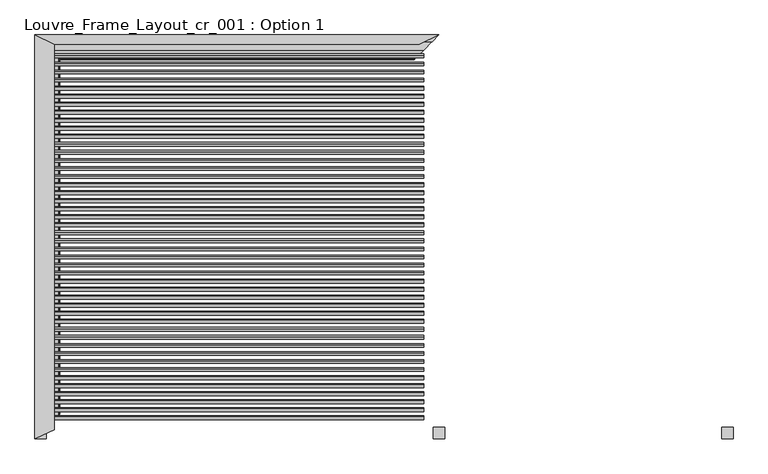
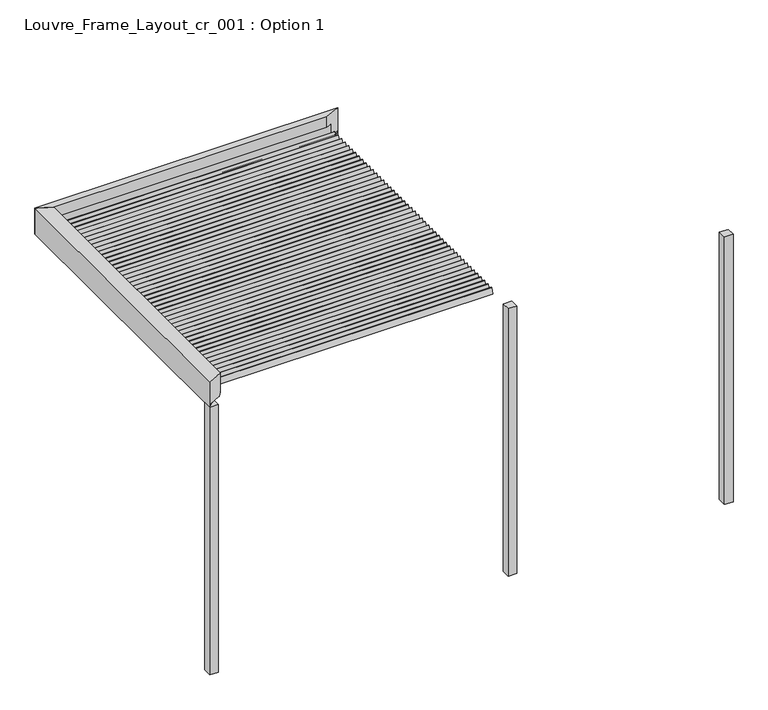
"""IFC4 building model written with IfcOpenShell, lengths in millimetres: proxy geometry, Louvre_Frame_Layout_cr_001 : Option 1."""

from ifc_helpers import new_model, si_unit, frame, origin, place, context, project, spatial, polyline, ellipse_curve, outline, extrude, source, transform, mapped, element, save
from ifc_brep_helpers import plane_surface, cylinder_surface, revolved_surface, advanced_brep


def louvre_frame_layout_cr_001_option_1_20cd7278(model_context):
    return source(origin(), model_context, "Body", "SolidModel", [
        extrude(outline(polyline([(50.0, -1760.0), (50.0, -1860.0), (-50.0, -1860.0), (-50.0, -1760.0), (50.0, -1760.0)])), frame((0.0, 0.0, -3270.0), z_axis=(0.0, 0.0, 1.0), x_axis=(1.0, 0.0, 0.0)), (0.0, 0.0, 1.0), 3270.0),
        extrude(outline(polyline([(2550.0, -1860.0), (2450.0, -1860.0), (2450.0, -1760.0), (2550.0, -1760.0), (2550.0, -1860.0)])), frame((0.0, 0.0, -3270.0), z_axis=(0.0, 0.0, 1.0), x_axis=(1.0, 0.0, 0.0)), (0.0, 0.0, 1.0), 3270.0),
        extrude(outline(polyline([(-3400.0, -1860.0), (-3500.0, -1860.0), (-3500.0, -1760.0), (-3400.0, -1760.0), (-3400.0, -1860.0)])), frame((0.0, 0.0, -3270.0), z_axis=(0.0, 0.0, 1.0), x_axis=(1.0, 0.0, 0.0)), (0.0, 0.0, 1.0), 3270.0),
        extrude(outline(polyline([(0.0, 10.0), (3236.0, 10.0), (3236.0, 0.0), (0.0, 0.0), (0.0, 10.0)])), frame((-3368.0, -1624.9802792, 110.4249753), z_axis=(0.0, 0.3420201433256684, 0.9396926207859085), x_axis=(1.0, 0.0, 0.0)), (0.0, 0.0, 1.0), 70.0),
        extrude(outline(polyline([(0.0, 10.0), (3236.0, 10.0), (3236.0, 0.0), (0.0, 0.0), (0.0, 10.0)])), frame((-3368.0, -1555.2913903, 110.4249753), z_axis=(0.0, 0.3420201433256684, 0.9396926207859085), x_axis=(1.0, 0.0, 0.0)), (0.0, 0.0, 1.0), 70.0),
        extrude(outline(polyline([(0.0, 10.0000001), (3236.0, 10.0000001), (3236.0, 0.0), (0.0, 0.0), (0.0, 10.0000001)])), frame((-3368.0, -1485.6025015, 110.4249753), z_axis=(0.0, 0.3420201433256684, 0.9396926207859085), x_axis=(1.0, 0.0, 0.0)), (0.0, 0.0, 1.0), 70.0),
        extrude(outline(polyline([(0.0, 10.0), (3236.0, 10.0), (3236.0, 0.0), (0.0, 0.0), (0.0, 10.0)])), frame((-3368.0, -1415.9136126, 110.4249753), z_axis=(0.0, 0.3420201433256684, 0.9396926207859085), x_axis=(1.0, 0.0, 0.0)), (0.0, 0.0, 1.0), 70.0),
        extrude(outline(polyline([(0.0, 10.0), (3236.0, 10.0), (3236.0, 0.0), (0.0, 0.0), (0.0, 10.0)])), frame((-3368.0, -1346.2247237, 110.4249753), z_axis=(0.0, 0.3420201433256684, 0.9396926207859085), x_axis=(1.0, 0.0, 0.0)), (0.0, 0.0, 1.0), 70.0),
        extrude(outline(polyline([(0.0, 10.0), (3236.0, 10.0), (3236.0, 0.0), (0.0, 0.0), (0.0, 10.0)])), frame((-3368.0, -1276.5358348, 110.4249753), z_axis=(0.0, 0.3420201433256684, 0.9396926207859085), x_axis=(1.0, 0.0, 0.0)), (0.0, 0.0, 1.0), 70.0),
        extrude(outline(polyline([(0.0, 10.0), (3236.0, 10.0), (3236.0, 0.0), (0.0, 0.0), (0.0, 10.0)])), frame((-3368.0, -1206.8469459, 110.4249753), z_axis=(0.0, 0.3420201433256684, 0.9396926207859085), x_axis=(1.0, 0.0, 0.0)), (0.0, 0.0, 1.0), 70.0),
        extrude(outline(polyline([(0.0, 10.0), (3236.0, 10.0), (3236.0, 0.0), (0.0, 0.0), (0.0, 10.0)])), frame((-3368.0, -1137.158057, 110.4249753), z_axis=(0.0, 0.3420201433256684, 0.9396926207859085), x_axis=(1.0, 0.0, 0.0)), (0.0, 0.0, 1.0), 70.0),
        extrude(outline(polyline([(0.0, 10.0), (3236.0, 10.0), (3236.0, 0.0), (0.0, 0.0), (0.0, 10.0)])), frame((-3368.0, -1067.4691681, 110.4249753), z_axis=(0.0, 0.3420201433256684, 0.9396926207859085), x_axis=(1.0, 0.0, 0.0)), (0.0, 0.0, 1.0), 70.0),
        extrude(outline(polyline([(0.0, 10.0), (3236.0, 10.0), (3236.0, 0.0), (0.0, 0.0), (0.0, 10.0)])), frame((-3368.0, -997.7802792, 110.4249753), z_axis=(0.0, 0.3420201433256684, 0.9396926207859085), x_axis=(1.0, 0.0, 0.0)), (0.0, 0.0, 1.0), 70.0),
        extrude(outline(polyline([(0.0, 10.0), (3236.0, 10.0), (3236.0, 0.0), (0.0, 0.0), (0.0, 10.0)])), frame((-3368.0, -928.0913903, 110.4249753), z_axis=(0.0, 0.3420201433256684, 0.9396926207859085), x_axis=(1.0, 0.0, 0.0)), (0.0, 0.0, 1.0), 70.0),
        extrude(outline(polyline([(0.0, 10.0000001), (3236.0, 10.0000001), (3236.0, 0.0), (0.0, 0.0), (0.0, 10.0000001)])), frame((-3368.0, -858.4025015, 110.4249753), z_axis=(0.0, 0.3420201433256684, 0.9396926207859085), x_axis=(1.0, 0.0, 0.0)), (0.0, 0.0, 1.0), 70.0),
        extrude(outline(polyline([(0.0, 10.0), (3236.0, 10.0), (3236.0, 0.0), (0.0, 0.0), (0.0, 10.0)])), frame((-3368.0, -788.7136126, 110.4249753), z_axis=(0.0, 0.3420201433256684, 0.9396926207859085), x_axis=(1.0, 0.0, 0.0)), (0.0, 0.0, 1.0), 70.0),
        extrude(outline(polyline([(0.0, 10.0), (3236.0, 10.0), (3236.0, 0.0), (0.0, 0.0), (0.0, 10.0)])), frame((-3368.0, -719.0247237, 110.4249753), z_axis=(0.0, 0.3420201433256684, 0.9396926207859085), x_axis=(1.0, 0.0, 0.0)), (0.0, 0.0, 1.0), 70.0),
        extrude(outline(polyline([(0.0, 10.0), (3236.0, 10.0), (3236.0, 0.0), (0.0, 0.0), (0.0, 10.0)])), frame((-3368.0, -649.3358348, 110.4249753), z_axis=(0.0, 0.3420201433256684, 0.9396926207859085), x_axis=(1.0, 0.0, 0.0)), (0.0, 0.0, 1.0), 70.0),
        extrude(outline(polyline([(0.0, 10.0), (3236.0, 10.0), (3236.0, 0.0), (0.0, 0.0), (0.0, 10.0)])), frame((-3368.0, -579.6469459, 110.4249753), z_axis=(0.0, 0.3420201433256684, 0.9396926207859085), x_axis=(1.0, 0.0, 0.0)), (0.0, 0.0, 1.0), 70.0),
        extrude(outline(polyline([(0.0, 10.0), (3236.0, 10.0), (3236.0, 0.0), (0.0, 0.0), (0.0, 10.0)])), frame((-3368.0, -509.958057, 110.4249753), z_axis=(0.0, 0.3420201433256684, 0.9396926207859085), x_axis=(1.0, 0.0, 0.0)), (0.0, 0.0, 1.0), 70.0),
        extrude(outline(polyline([(0.0, 10.0), (3236.0, 10.0), (3236.0, 0.0), (0.0, 0.0), (0.0, 10.0)])), frame((-3368.0, -440.2691681, 110.4249753), z_axis=(0.0, 0.3420201433256684, 0.9396926207859085), x_axis=(1.0, 0.0, 0.0)), (0.0, 0.0, 1.0), 70.0),
        extrude(outline(polyline([(0.0, 10.0), (3236.0, 10.0), (3236.0, 0.0), (0.0, 0.0), (0.0, 10.0)])), frame((-3368.0, -370.5802792, 110.4249753), z_axis=(0.0, 0.3420201433256684, 0.9396926207859085), x_axis=(1.0, 0.0, 0.0)), (0.0, 0.0, 1.0), 70.0),
        extrude(outline(polyline([(0.0, 10.0), (3236.0, 10.0), (3236.0, 0.0), (0.0, 0.0), (0.0, 10.0)])), frame((-3368.0, -300.8913903, 110.4249753), z_axis=(0.0, 0.3420201433256684, 0.9396926207859085), x_axis=(1.0, 0.0, 0.0)), (0.0, 0.0, 1.0), 70.0),
        extrude(outline(polyline([(0.0, 10.0000001), (3236.0, 10.0000001), (3236.0, 0.0), (0.0, 0.0), (0.0, 10.0000001)])), frame((-3368.0, -231.2025015, 110.4249753), z_axis=(0.0, 0.3420201433256684, 0.9396926207859085), x_axis=(1.0, 0.0, 0.0)), (0.0, 0.0, 1.0), 70.0),
        extrude(outline(polyline([(0.0, 10.0), (3236.0, 10.0), (3236.0, 0.0), (0.0, 0.0), (0.0, 10.0)])), frame((-3368.0, -161.5136126, 110.4249753), z_axis=(0.0, 0.3420201433256684, 0.9396926207859085), x_axis=(1.0, 0.0, 0.0)), (0.0, 0.0, 1.0), 70.0),
        extrude(outline(polyline([(0.0, 10.0), (3236.0, 10.0), (3236.0, 0.0), (0.0, 0.0), (0.0, 10.0)])), frame((-3368.0, -91.8247237, 110.4249753), z_axis=(0.0, 0.3420201433256684, 0.9396926207859085), x_axis=(1.0, 0.0, 0.0)), (0.0, 0.0, 1.0), 70.0),
        extrude(outline(polyline([(0.0, 10.0), (3236.0, 10.0), (3236.0, 0.0), (0.0, 0.0), (0.0, 10.0)])), frame((-3368.0, -22.1358348, 110.4249753), z_axis=(0.0, 0.3420201433256684, 0.9396926207859085), x_axis=(1.0, 0.0, 0.0)), (0.0, 0.0, 1.0), 70.0),
        extrude(outline(polyline([(0.0, 10.0), (3236.0, 10.0), (3236.0, 0.0), (0.0, 0.0), (0.0, 10.0)])), frame((-3368.0, 47.5530541, 110.4249753), z_axis=(0.0, 0.3420201433256684, 0.9396926207859085), x_axis=(1.0, 0.0, 0.0)), (0.0, 0.0, 1.0), 70.0),
        extrude(outline(polyline([(0.0, 10.0), (3236.0, 10.0), (3236.0, 0.0), (0.0, 0.0), (0.0, 10.0)])), frame((-3368.0, 117.241943, 110.4249753), z_axis=(0.0, 0.3420201433256684, 0.9396926207859085), x_axis=(1.0, 0.0, 0.0)), (0.0, 0.0, 1.0), 70.0),
        extrude(outline(polyline([(0.0, 10.0), (3236.0, 10.0), (3236.0, 0.0), (0.0, 0.0), (0.0, 10.0)])), frame((-3368.0, 186.9308319, 110.4249753), z_axis=(0.0, 0.3420201433256684, 0.9396926207859085), x_axis=(1.0, 0.0, 0.0)), (0.0, 0.0, 1.0), 70.0),
        extrude(outline(polyline([(0.0, 10.0), (3236.0, 10.0), (3236.0, 0.0), (0.0, 0.0), (0.0, 10.0)])), frame((-3368.0, 256.6197208, 110.4249753), z_axis=(0.0, 0.3420201433256684, 0.9396926207859085), x_axis=(1.0, 0.0, 0.0)), (0.0, 0.0, 1.0), 70.0),
        extrude(outline(polyline([(0.0, 10.0), (3236.0, 10.0), (3236.0, 0.0), (0.0, 0.0), (0.0, 10.0)])), frame((-3368.0, 326.3086097, 110.4249753), z_axis=(0.0, 0.3420201433256684, 0.9396926207859085), x_axis=(1.0, 0.0, 0.0)), (0.0, 0.0, 1.0), 70.0),
        extrude(outline(polyline([(0.0, 10.0000001), (3236.0, 10.0000001), (3236.0, 0.0), (0.0, 0.0), (0.0, 10.0000001)])), frame((-3368.0, 395.9974985, 110.4249753), z_axis=(0.0, 0.3420201433256684, 0.9396926207859085), x_axis=(1.0, 0.0, 0.0)), (0.0, 0.0, 1.0), 70.0),
        extrude(outline(polyline([(0.0, 10.0), (3236.0, 10.0), (3236.0, 0.0), (0.0, 0.0), (0.0, 10.0)])), frame((-3368.0, 465.6863874, 110.4249753), z_axis=(0.0, 0.3420201433256684, 0.9396926207859085), x_axis=(1.0, 0.0, 0.0)), (0.0, 0.0, 1.0), 70.0),
        extrude(outline(polyline([(0.0, 10.0), (3236.0, 10.0), (3236.0, 0.0), (0.0, 0.0), (0.0, 10.0)])), frame((-3368.0, 535.3752763, 110.4249753), z_axis=(0.0, 0.3420201433256684, 0.9396926207859085), x_axis=(1.0, 0.0, 0.0)), (0.0, 0.0, 1.0), 70.0),
        extrude(outline(polyline([(0.0, 10.0), (3236.0, 10.0), (3236.0, 0.0), (0.0, 0.0), (0.0, 10.0)])), frame((-3368.0, 605.0641652, 110.4249753), z_axis=(0.0, 0.3420201433256684, 0.9396926207859085), x_axis=(1.0, 0.0, 0.0)), (0.0, 0.0, 1.0), 70.0),
        extrude(outline(polyline([(0.0, 10.0), (3236.0, 10.0), (3236.0, 0.0), (0.0, 0.0), (0.0, 10.0)])), frame((-3368.0, 674.7530541, 110.4249753), z_axis=(0.0, 0.3420201433256684, 0.9396926207859085), x_axis=(1.0, 0.0, 0.0)), (0.0, 0.0, 1.0), 70.0),
        extrude(outline(polyline([(0.0, 10.0), (3236.0, 10.0), (3236.0, 0.0), (0.0, 0.0), (0.0, 10.0)])), frame((-3368.0, 744.441943, 110.4249753), z_axis=(0.0, 0.3420201433256684, 0.9396926207859085), x_axis=(1.0, 0.0, 0.0)), (0.0, 0.0, 1.0), 70.0),
        extrude(outline(polyline([(0.0, 10.0), (3236.0, 10.0), (3236.0, 0.0), (0.0, 0.0), (0.0, 10.0)])), frame((-3368.0, 814.1308319, 110.4249753), z_axis=(0.0, 0.3420201433256684, 0.9396926207859085), x_axis=(1.0, 0.0, 0.0)), (0.0, 0.0, 1.0), 70.0),
        extrude(outline(polyline([(0.0, 10.0), (3236.0, 10.0), (3236.0, 0.0), (0.0, 0.0), (0.0, 10.0)])), frame((-3368.0, 883.8197208, 110.4249753), z_axis=(0.0, 0.3420201433256684, 0.9396926207859085), x_axis=(1.0, 0.0, 0.0)), (0.0, 0.0, 1.0), 70.0),
        extrude(outline(polyline([(0.0, 10.0), (3236.0, 10.0), (3236.0, 0.0), (0.0, 0.0), (0.0, 10.0)])), frame((-3368.0, 953.5086097, 110.4249753), z_axis=(0.0, 0.3420201433256684, 0.9396926207859085), x_axis=(1.0, 0.0, 0.0)), (0.0, 0.0, 1.0), 70.0),
        extrude(outline(polyline([(0.0, 10.0000001), (3236.0, 10.0000001), (3236.0, 0.0), (0.0, 0.0), (0.0, 10.0000001)])), frame((-3368.0, 1023.1974985, 110.4249753), z_axis=(0.0, 0.3420201433256684, 0.9396926207859085), x_axis=(1.0, 0.0, 0.0)), (0.0, 0.0, 1.0), 70.0),
        extrude(outline(polyline([(0.0, 10.0), (3236.0, 10.0), (3236.0, 0.0), (0.0, 0.0), (0.0, 10.0)])), frame((-3368.0, 1092.8863874, 110.4249753), z_axis=(0.0, 0.3420201433256684, 0.9396926207859085), x_axis=(1.0, 0.0, 0.0)), (0.0, 0.0, 1.0), 70.0),
        extrude(outline(polyline([(0.0, 10.0), (3236.0, 10.0), (3236.0, 0.0), (0.0, 0.0), (0.0, 10.0)])), frame((-3368.0, 1162.5752763, 110.4249753), z_axis=(0.0, 0.3420201433256684, 0.9396926207859085), x_axis=(1.0, 0.0, 0.0)), (0.0, 0.0, 1.0), 70.0),
        extrude(outline(polyline([(0.0, 10.0), (3236.0, 10.0), (3236.0, 0.0), (0.0, 0.0), (0.0, 10.0)])), frame((-3368.0, 1232.2641652, 110.4249753), z_axis=(0.0, 0.3420201433256684, 0.9396926207859085), x_axis=(1.0, 0.0, 0.0)), (0.0, 0.0, 1.0), 70.0),
        extrude(outline(polyline([(0.0, 10.0), (3236.0, 10.0), (3236.0, 0.0), (0.0, 0.0), (0.0, 10.0)])), frame((-3368.0, 1301.9530541, 110.4249753), z_axis=(0.0, 0.3420201433256684, 0.9396926207859085), x_axis=(1.0, 0.0, 0.0)), (0.0, 0.0, 1.0), 70.0),
        extrude(outline(polyline([(0.0, 10.0), (3236.0, 10.0), (3236.0, 0.0), (0.0, 0.0), (0.0, 10.0)])), frame((-3368.0, 1371.641943, 110.4249753), z_axis=(0.0, 0.3420201433256684, 0.9396926207859085), x_axis=(1.0, 0.0, 0.0)), (0.0, 0.0, 1.0), 70.0),
        extrude(outline(polyline([(0.0, 10.0), (3236.0, 10.0), (3236.0, 0.0), (0.0, 0.0), (0.0, 10.0)])), frame((-3368.0, -1694.6691681, 110.4249753), z_axis=(0.0, 0.3420201433256684, 0.9396926207859085), x_axis=(1.0, 0.0, 0.0)), (0.0, 0.0, 1.0), 70.0),
        extrude(outline(polyline([(0.0, 10.0), (3236.0, 10.0), (3236.0, 0.0), (0.0, 0.0), (0.0, 10.0)])), frame((-3368.0, 1441.3308319, 110.4249753), z_axis=(0.0, 0.3420201433256684, 0.9396926207859085), x_axis=(1.0, 0.0, 0.0)), (0.0, 0.0, 1.0), 70.0),
        advanced_brep(
        [(-3349.8942843, 1489.8942843, 0.0), (-3284.8218695, 1424.8218695, 26.1870213), (-3284.8218695, 1424.8218695, 39.3616238), (-3285.4888339, 1425.4888339, 40.0285881), (-3291.0621612, 1431.0621612, 40.0285881), (-3291.7291256, 1431.7291256, 39.3616238), (-3291.7291256, 1431.7291256, 25.5580129), (-3336.794989, 1476.794989, 7.4266447), (-3364.8199959, 1504.8199959, 2.0018958), (-3443.0005687, 1583.0005687, 2.0018958), (-3448.0054103, 1588.0054103, 7.0067374), (-3448.0054103, 1588.0054103, 36.2093165), (-3447.4216619, 1587.4216619, 36.793065), (-3444.7025891, 1584.7025891, 36.793065), (-3442.6996709, 1582.6996709, 38.7959832), (-3500.0, 1640.0, 38.8575344), (-3500.0, 1640.0, 0.0), (0.0, 1640.0, 0.0), (0.0, 1640.0, 38.8575344), (-57.2993831, 1582.7006169, 38.8575344), (-55.2974109, 1584.7025891, 36.793065), (-52.5783381, 1587.4216619, 36.793065), (-51.9945897, 1588.0054103, 36.2093165), (-51.9945897, 1588.0054103, 7.0067374), (-56.9994313, 1583.0005687, 2.0018958), (-135.1800041, 1504.8199959, 2.0018958), (-163.205011, 1476.794989, 7.4266447), (-208.2708744, 1431.7291256, 25.5580129), (-208.2708744, 1431.7291256, 39.3616238), (-208.9378388, 1431.0621612, 40.0285881), (-214.5111661, 1425.4888339, 40.0285881), (-215.1781305, 1424.8218695, 39.3616238), (-215.1781305, 1424.8218695, 26.1870213), (-150.1057157, 1489.8942843, 0.0), (-3378.3701643, 1582.7006169, 38.8575344), (-3378.3701643, 1582.6996709, 64.3212787), (-3382.6221378, 1584.7027935, 66.3244014), (-3388.3114217, 1587.3830392, 66.3244014), (-3389.6325118, 1588.0054103, 66.9467725), (-3389.6325118, 1588.0054103, 186.7535382), (-3330.2950263, 1560.0512704, 186.7535382), (-3330.2950263, 1560.0512704, 316.6276048), (-3500.0, 1640.0, 316.6276048), (-3500.0, 1640.0, 40.0285881), (-169.7049737, 1560.0512704, 316.6276048), (0.0, 1640.0, 316.6276048), (0.0, 1640.0, 40.0285881), (-121.6298357, 1582.7006169, 38.8575344), (-121.6298357, 1582.6996709, 64.3212787), (-117.3778622, 1584.7027935, 66.3244014), (-111.6885783, 1587.3830392, 66.3244014), (-110.3674882, 1588.0054103, 66.9467725), (-110.3674882, 1588.0054103, 186.7535382), (-169.7049737, 1560.0512704, 186.7535382)],
        [
            (0, 1),
            (1, 2),
            (2, 3, ellipse_curve(frame((-3285.4888339, 1425.4888339, 39.3616238), z_axis=(-0.7071067811865666, -0.7071067811865285, 0.0), x_axis=(0.7071067811865286, -0.7071067811865666, 0.0)), 0.94323, 0.6669644)),
            (3, 4),
            (4, 5, ellipse_curve(frame((-3291.0621612, 1431.0621612, 39.3616238), z_axis=(-0.7071067811865666, -0.7071067811865285, 0.0), x_axis=(0.7071067811865286, -0.7071067811865666, 0.0)), 0.94323, 0.6669644)),
            (5, 6),
            (6, 7),
            (7, 8, ellipse_curve(frame((-3364.8119854, 1504.8119854, 77.0634267), z_axis=(0.7071067811865666, 0.7071067811865285, 0.0), x_axis=(-0.7071067811865286, 0.7071067811865666, 0.0)), 106.1530357, 75.0615314)),
            (8, 9),
            (9, 10, ellipse_curve(frame((-3443.0005687, 1583.0005687, 7.0067374), z_axis=(0.7071067811865666, 0.7071067811865285, 0.0), x_axis=(-0.7071067811865286, 0.7071067811865666, 0.0)), 7.0779149, 5.0048416)),
            (10, 11),
            (11, 12, ellipse_curve(frame((-3447.4216619, 1587.4216619, 36.2093165), z_axis=(0.7071067811865666, 0.7071067811865285, 0.0), x_axis=(-0.7071067811865286, 0.7071067811865666, 0.0)), 0.825545, 0.5837485)),
            (12, 13),
            (13, 14, ellipse_curve(frame((-3444.7025891, 1584.7025891, 38.7959832), z_axis=(-0.7071067811865666, -0.7071067811865285, 0.0), x_axis=(0.7071067811865286, -0.7071067811865666, 0.0)), 2.832554, 2.0029182)),
            (14, 15),
            (15, 16),
            (16, 0),
            (17, 18),
            (18, 19),
            (19, 20, ellipse_curve(frame((-55.2974109, 1584.7025891, 38.7959832), z_axis=(0.7071067811865351, -0.7071067811865599, 0.0), x_axis=(0.7071067811865599, 0.7071067811865351, 0.0)), 2.832554, 2.0029182)),
            (20, 21),
            (21, 22, ellipse_curve(frame((-52.5783381, 1587.4216619, 36.2093165), z_axis=(-0.7071067811865351, 0.7071067811865599, 0.0), x_axis=(-0.7071067811865599, -0.7071067811865351, 0.0)), 0.825545, 0.5837485)),
            (22, 23),
            (23, 24, ellipse_curve(frame((-56.9994313, 1583.0005687, 7.0067374), z_axis=(-0.7071067811865351, 0.7071067811865599, 0.0), x_axis=(-0.7071067811865599, -0.7071067811865351, 0.0)), 7.0779149, 5.0048416)),
            (24, 25),
            (25, 26, ellipse_curve(frame((-135.1880146, 1504.8119854, 77.0634267), z_axis=(-0.7071067811865351, 0.7071067811865599, 0.0), x_axis=(-0.7071067811865599, -0.7071067811865351, 0.0)), 106.1530357, 75.0615314)),
            (26, 27),
            (27, 28),
            (28, 29, ellipse_curve(frame((-208.9378388, 1431.0621612, 39.3616238), z_axis=(0.7071067811865351, -0.7071067811865599, 0.0), x_axis=(0.7071067811865599, 0.7071067811865351, 0.0)), 0.94323, 0.6669644)),
            (29, 30),
            (30, 31, ellipse_curve(frame((-214.5111661, 1425.4888339, 39.3616238), z_axis=(0.7071067811865351, -0.7071067811865599, 0.0), x_axis=(0.7071067811865599, 0.7071067811865351, 0.0)), 0.94323, 0.6669644)),
            (31, 32),
            (32, 33),
            (33, 17),
            (14, 34),
            (34, 15),
            (34, 35),
            (35, 36, ellipse_curve(frame((-3382.6221378, 1584.7027935, 64.3212787), z_axis=(-0.426179151091085, -0.9046387849165446, 0.0), x_axis=(0.9046387849165445, -0.426179151091085, 0.0)), 4.7001892, 2.0031227)),
            (36, 37),
            (37, 38, ellipse_curve(frame((-3388.3114217, 1587.3830392, 66.9467725), z_axis=(0.426179151091085, 0.9046387849165446, 0.0), x_axis=(-0.9046387849165445, 0.426179151091085, 0.0)), 1.460351, 0.6223711)),
            (38, 39),
            (39, 40),
            (40, 41),
            (41, 42),
            (42, 43),
            (43, 15),
            (41, 44),
            (44, 45),
            (45, 42),
            (45, 46),
            (46, 18),
            (17, 16),
            (33, 0),
            (32, 1),
            (31, 2),
            (30, 3),
            (29, 4),
            (28, 5),
            (27, 6),
            (26, 7),
            (25, 8),
            (24, 9),
            (23, 10),
            (22, 11),
            (21, 12),
            (20, 13),
            (19, 47),
            (47, 34),
            (47, 48),
            (48, 35),
            (48, 49, ellipse_curve(frame((-117.3778622, 1584.7027935, 64.3212787), z_axis=(-0.4261791510912805, 0.9046387849164524, 0.0), x_axis=(0.9046387849164526, 0.4261791510912806, 0.0)), 4.7001892, 2.0031227)),
            (49, 36),
            (49, 50),
            (50, 37),
            (50, 51, ellipse_curve(frame((-111.6885783, 1587.3830392, 66.9467725), z_axis=(0.4261791510912805, -0.9046387849164524, 0.0), x_axis=(-0.9046387849164526, -0.4261791510912806, 0.0)), 1.460351, 0.6223711)),
            (51, 38),
            (51, 52),
            (52, 39),
            (52, 53),
            (53, 40),
            (53, 44),
            (18, 47),
        ],
        [
            plane_surface(frame((-3500.0, 1640.0, 40.0285881), z_axis=(-0.7071067811865666, -0.7071067811865285, 0.0), x_axis=(0.0, 0.0, -1.0))),
            plane_surface(frame((-258.0939751, 1381.9060249, 40.0285881), z_axis=(0.7071067811865351, -0.7071067811865599, 0.0), x_axis=(0.0, 0.0, -1.0))),
            plane_surface(frame((-3500.0, 1560.0512704, 38.8575344), z_axis=(0.0, 0.0, 1.0), x_axis=(1.0, 0.0, 0.0))),
            plane_surface(frame((-3500.0, 1640.0, 398.4370867), z_axis=(-0.426179151091085, -0.9046387849165446, 0.0), x_axis=(0.0, 0.0, -1.0))),
            plane_surface(frame((0.0, 1560.0512704, 316.6276048), z_axis=(0.0, 0.0, 1.0), x_axis=(-1.0, 0.0, 0.0))),
            plane_surface(frame((0.0, 1640.0, 316.6276048), z_axis=(0.0, 1.0, 0.0), x_axis=(-1.0, 0.0, 0.0))),
            plane_surface(frame((0.0, 1640.0, 0.0), z_axis=(0.0, 0.0, -1.0), x_axis=(-1.0, 0.0, 0.0))),
            plane_surface(frame((0.0, 1489.8942843, 0.0), z_axis=(0.0, -0.3733323631651337, -0.927697659053604), x_axis=(-1.0, 0.0, 0.0))),
            plane_surface(frame((0.0, 1424.8218695, 26.1870213), z_axis=(0.0, -1.0, 0.0), x_axis=(-1.0, 0.0, 0.0))),
            cylinder_surface(frame((0.0, 1425.4888339, 39.3616238), z_axis=(1.0, 0.0, 0.0), x_axis=(0.0, 1.0, 0.0)), 0.6669644),
            plane_surface(frame((0.0, 1425.4888339, 40.0285881), z_axis=(0.0, 0.0, 1.0), x_axis=(-1.0, 0.0, 0.0))),
            cylinder_surface(frame((0.0, 1431.0621612, 39.3616238), z_axis=(1.0, 0.0, 0.0), x_axis=(0.0, -1.0, 0.0)), 0.6669644),
            plane_surface(frame((0.0, 1431.7291256, 39.3616238), z_axis=(0.0, 1.0, 0.0), x_axis=(-1.0, 0.0, 0.0))),
            plane_surface(frame((0.0, 1431.7291256, 25.5580129), z_axis=(0.0, 0.37325372835204085, 0.9277293001039155), x_axis=(-1.0, 0.0, 0.0))),
            revolved_surface(polyline([(-3439.873516787006, 1429.750454, 77.0634267), (-60.12648321299102, 1429.750454, 77.0634267)]), (0.0, 1504.8119854, 77.0634267), (-1.0, 0.0, 0.0)),
            plane_surface(frame((0.0, 1504.8199959, 2.0018958), z_axis=(0.0, 0.0, 1.0), x_axis=(-1.0, 0.0, 0.0))),
            revolved_surface(polyline([(-3448.005410322451, 1577.9957271, 7.0067374), (-51.9945896775486, 1577.9957271, 7.0067374)]), (0.0, 1583.0005687, 7.0067374), (-1.0, 0.0, 0.0)),
            plane_surface(frame((0.0, 1588.0054103, 7.0067374), z_axis=(0.0, -1.0, 0.0), x_axis=(-1.0, 0.0, 0.0))),
            revolved_surface(polyline([(-3448.0054103676744, 1586.8379134, 36.2093165), (-51.994589632325344, 1586.8379134, 36.2093165)]), (0.0, 1587.4216619, 36.2093165), (-1.0, 0.0, 0.0)),
            plane_surface(frame((0.0, 1587.4216619, 36.793065), z_axis=(0.0, 0.0, -1.0), x_axis=(-1.0, 0.0, 0.0))),
            cylinder_surface(frame((0.0, 1584.7025891, 38.7959832), z_axis=(1.0, 0.0, 0.0), x_axis=(0.0, -1.0, 0.0)), 2.0029182),
            plane_surface(frame((0.0, 1582.6996709, 38.7959832), z_axis=(0.0, -1.0, 0.0), x_axis=(-1.0, 0.0, 0.0))),
            cylinder_surface(frame((0.0, 1584.7027935, 64.3212787), z_axis=(1.0, 0.0, 0.0), x_axis=(0.0, -1.0, 0.0)), 2.0031227),
            plane_surface(frame((0.0, 1584.7027935, 66.3244014), z_axis=(0.0, 0.0, 1.0), x_axis=(-1.0, 0.0, 0.0))),
            revolved_surface(polyline([(-3389.6325118541918, 1586.7606681, 66.9467725), (-110.36748814580848, 1586.7606681, 66.9467725)]), (0.0, 1587.3830392, 66.9467725), (-1.0, 0.0, 0.0)),
            plane_surface(frame((0.0, 1588.0054103, 66.9467725), z_axis=(0.0, -1.0, 0.0), x_axis=(-1.0, 0.0, 0.0))),
            plane_surface(frame((0.0, 1588.0054103, 186.7535382), z_axis=(0.0, 0.0, -1.0), x_axis=(-1.0, 0.0, 0.0))),
            plane_surface(frame((0.0, 1560.0512704, 186.7535382), z_axis=(0.0, -1.0, 0.0), x_axis=(-1.0, 0.0, 0.0))),
            plane_surface(frame((0.0, 1640.0, 38.8575344), z_axis=(0.0, 0.0, 1.0), x_axis=(-0.9046387849164524, -0.4261791510912805, 0.0))),
            plane_surface(frame((-169.7049737, 1560.0512704, 398.4370867), z_axis=(0.4261791510912805, -0.9046387849164524, 0.0), x_axis=(0.0, 0.0, -1.0))),
        ],
        [
            (0, [[1, 2, 3, 4, 5, 6, 7, 8, 9, 10, 11, 12, 13, 14, 15, 16, 17]]),
            (1, [[18, 19, 20, 21, 22, 23, 24, 25, 26, 27, 28, 29, 30, 31, 32, 33, 34]]),
            (2, [[-15, 35, 36]]),
            (3, [[37, 38, 39, 40, 41, 42, 43, 44, 45, 46, -36]]),
            (4, [[-44, 47, 48, 49]]),
            (5, [[50, 51, -18, 52, -16, -46, -45, -49]]),
            (6, [[-34, 53, -17, -52]]),
            (7, [[-53, -33, 54, -1]]),
            (8, [[-54, -32, 55, -2]]),
            (9, [[-55, -31, 56, -3]]),
            (10, [[-56, -30, 57, -4]]),
            (11, [[-57, -29, 58, -5]]),
            (12, [[-58, -28, 59, -6]]),
            (13, [[-59, -27, 60, -7]]),
            (14, [[-60, -26, 61, -8]]),
            (15, [[-61, -25, 62, -9]]),
            (16, [[-62, -24, 63, -10]]),
            (17, [[-63, -23, 64, -11]]),
            (18, [[-64, -22, 65, -12]]),
            (19, [[-65, -21, 66, -13]]),
            (20, [[-66, -20, 67, 68, -35, -14]]),
            (21, [[-68, 69, 70, -37]]),
            (22, [[-70, 71, 72, -38]]),
            (23, [[-72, 73, 74, -39]]),
            (24, [[-74, 75, 76, -40]]),
            (25, [[-76, 77, 78, -41]]),
            (26, [[-78, 79, 80, -42]]),
            (27, [[-80, 81, -47, -43]]),
            (28, [[-67, -19, 82]]),
            (29, [[-51, -50, -48, -81, -79, -77, -75, -73, -71, -69, -82]]),
        ],
    ),
        advanced_brep(
        [(-3500.0, -1860.0, 40.0285881), (-3500.0, -1860.0, 36.793065), (-3500.0, -1860.0, 0.0), (-3349.8942843, -1709.9379038, 0.0), (-3285.3886853, -1645.4510496, 25.9589183), (-3284.8218695, -1644.8843985, 26.5150991), (-3284.8218695, -1644.8843985, 39.3616238), (-3285.4888339, -1645.5511691, 40.0285881), (-3291.0621612, -1651.1228768, 40.0285881), (-3291.7291256, -1651.7896474, 39.3616238), (-3291.7291256, -1651.7896474, 25.5580129), (-3336.794989, -1696.842415, 7.4266447), (-3364.8199959, -1724.8592781, 2.0018958), (-3443.0005687, -1803.0171323, 2.0018958), (-3448.0054103, -1808.0205195, 7.0067374), (-3448.0054103, -1808.0205195, 30.0771301), (-3437.2798539, -1797.2980799, 30.0771301), (-3437.2798539, -1797.2980799, 37.2197882), (-3435.6421077, -1795.6608096, 38.8575344), (-3357.499356, -1717.5407655, 38.8575344), (-3354.7049082, -1714.7471297, 40.0285881), (-3354.7049082, 1494.7471297, 40.0285881), (-3357.499356, 1497.5407655, 38.8575344), (-3435.6421077, 1575.6608096, 38.8575344), (-3437.2798539, 1577.2980799, 37.2197882), (-3437.2798539, 1577.2980799, 30.0771301), (-3448.0054103, 1588.0205195, 30.0771301), (-3448.0054103, 1588.0205195, 7.0067374), (-3443.0005687, 1583.0171323, 2.0018958), (-3364.8199959, 1504.8592781, 2.0018958), (-3336.794989, 1476.842415, 7.4266447), (-3291.7291256, 1431.7896474, 25.5580129), (-3291.7291256, 1431.7896474, 39.3616238), (-3291.0621612, 1431.1228768, 40.0285881), (-3285.4888339, 1425.5511691, 40.0285881), (-3284.8218695, 1424.8843985, 39.3616238), (-3284.8218695, 1424.8843985, 26.5150991), (-3285.3886853, 1425.4510496, 25.9589183), (-3349.8942843, 1489.9379038, 0.0), (-3500.0, 1640.0, 0.0), (-3500.0, 1640.0, 36.793065), (-3500.0, 1640.0, 40.0285881), (-3330.2950263, 1560.0512704, 186.2985422), (-3336.7193678, 1563.0778048, 186.2985422), (-3336.7193678, 1563.0778048, 88.3970766), (-3330.3018549, 1560.0544873, 88.3970766), (-3330.3018549, 1560.0544873, 79.2796958), (-3352.0673551, 1570.3083064, 42.7736155), (-3354.7049082, 1571.5508688, 40.0285881), (-3500.0, 1640.0, 315.1230176), (-3330.2950263, 1560.0512704, 315.1230176), (-3354.7049082, -1791.5508688, 40.0285881), (-3330.2950263, -1780.0512704, 315.1230176), (-3330.2950263, -1780.0512704, 186.2985422), (-3336.7193678, -1783.0778048, 186.2985422), (-3336.7193678, -1783.0778048, 88.3970766), (-3330.3018549, -1780.0544873, 88.3970766), (-3330.3018549, -1780.0544873, 79.2796958), (-3352.0673551, -1790.3083064, 42.7736155), (-3500.0, -1860.0, 315.1230176)],
        [
            (0, 1),
            (1, 2),
            (2, 3),
            (3, 4),
            (4, 5, ellipse_curve(frame((-3285.7754513, -1645.8377032, 26.9199973), z_axis=(0.7070040190667776, -0.7072095283743168, 0.0), x_axis=(-0.7072095283743168, -0.7070040190667775, 0.0)), 1.4648884, 1.035983)),
            (5, 6),
            (6, 7, ellipse_curve(frame((-3285.4888339, -1645.5511691, 39.3616238), z_axis=(0.7070040190667776, -0.7072095283743168, 0.0), x_axis=(-0.7072095283743168, -0.7070040190667775, 0.0)), 0.943093, 0.6669644)),
            (7, 8),
            (8, 9, ellipse_curve(frame((-3291.0621612, -1651.1228768, 39.3616238), z_axis=(0.7070040190667776, -0.7072095283743168, 0.0), x_axis=(-0.7072095283743168, -0.7070040190667775, 0.0)), 0.943093, 0.6669644)),
            (9, 10),
            (10, 11),
            (11, 12, ellipse_curve(frame((-3364.8119854, -1724.85127, 77.0634267), z_axis=(-0.7070040190667776, 0.7072095283743168, 0.0), x_axis=(0.7072095283743168, 0.7070040190667775, 0.0)), 106.1376132, 75.0615314)),
            (12, 13),
            (13, 14, ellipse_curve(frame((-3443.0005687, -1803.0171323, 7.0067374), z_axis=(-0.7070040190667776, 0.7072095283743168, 0.0), x_axis=(0.7072095283743168, 0.7070040190667775, 0.0)), 7.0768866, 5.0048416)),
            (14, 15),
            (15, 16),
            (16, 17),
            (17, 18, ellipse_curve(frame((-3435.6421077, -1795.6608096, 37.2197882), z_axis=(-0.7070040190667776, 0.7072095283743168, 0.0), x_axis=(0.7072095283743168, 0.7070040190667775, 0.0)), 2.3157864, 1.6377462)),
            (18, 19),
            (19, 20, ellipse_curve(frame((-3359.3065931, -1719.3474774, 47.0897633), z_axis=(0.7070040190667776, -0.7072095283743168, 0.0), x_axis=(-0.7072095283743168, -0.7070040190667775, 0.0)), 11.917639, 8.4282679)),
            (20, 0),
            (21, 22, ellipse_curve(frame((-3359.3065931, 1499.3474775, 47.0897633), z_axis=(0.707004019064737, 0.707209528376357, 0.0), x_axis=(0.707209528376357, -0.7070040190647368, 0.0)), 11.917639, 8.4282679)),
            (22, 23),
            (23, 24, ellipse_curve(frame((-3435.6421077, 1575.6608096, 37.2197882), z_axis=(-0.707004019064737, -0.707209528376357, 0.0), x_axis=(-0.707209528376357, 0.7070040190647368, 0.0)), 2.3157864, 1.6377462)),
            (24, 25),
            (25, 26),
            (26, 27),
            (27, 28, ellipse_curve(frame((-3443.0005687, 1583.0171323, 7.0067374), z_axis=(-0.707004019064737, -0.707209528376357, 0.0), x_axis=(-0.707209528376357, 0.7070040190647368, 0.0)), 7.0768866, 5.0048416)),
            (28, 29),
            (29, 30, ellipse_curve(frame((-3364.8119854, 1504.85127, 77.0634267), z_axis=(-0.707004019064737, -0.707209528376357, 0.0), x_axis=(-0.707209528376357, 0.7070040190647368, 0.0)), 106.1376132, 75.0615314)),
            (30, 31),
            (31, 32),
            (32, 33, ellipse_curve(frame((-3291.0621612, 1431.1228768, 39.3616238), z_axis=(0.707004019064737, 0.707209528376357, 0.0), x_axis=(0.707209528376357, -0.7070040190647368, 0.0)), 0.943093, 0.6669644)),
            (33, 34),
            (34, 35, ellipse_curve(frame((-3285.4888339, 1425.5511691, 39.3616238), z_axis=(0.707004019064737, 0.707209528376357, 0.0), x_axis=(0.707209528376357, -0.7070040190647368, 0.0)), 0.943093, 0.6669644)),
            (35, 36),
            (36, 37, ellipse_curve(frame((-3285.7754513, 1425.8377032, 26.9199973), z_axis=(0.707004019064737, 0.707209528376357, 0.0), x_axis=(0.707209528376357, -0.7070040190647368, 0.0)), 1.4648884, 1.035983)),
            (37, 38),
            (38, 39),
            (39, 40),
            (40, 41),
            (41, 21),
            (42, 43),
            (43, 44),
            (44, 45),
            (45, 46),
            (46, 47),
            (47, 48, ellipse_curve(frame((-3359.3065931, 1573.718742, 47.0897633), z_axis=(0.42617915109108384, 0.9046387849165451, 0.0), x_axis=(0.9046387849165451, -0.42617915109108356, 0.0)), 9.3167218, 8.4282679)),
            (48, 41),
            (41, 49),
            (49, 50),
            (50, 42),
            (20, 51),
            (51, 0),
            (48, 21),
            (50, 52),
            (52, 53),
            (53, 42),
            (53, 54),
            (54, 43),
            (54, 55),
            (55, 44),
            (55, 56),
            (56, 45),
            (56, 57),
            (57, 46),
            (57, 58),
            (58, 47),
            (19, 22),
            (58, 51, ellipse_curve(frame((-3359.3065931, -1793.718742, 47.0897633), z_axis=(-0.42617915109110643, 0.9046387849165345, 0.0), x_axis=(-0.9046387849165346, -0.42617915109110627, 0.0)), 9.3167218, 8.4282679)),
            (18, 23),
            (17, 24),
            (16, 25),
            (15, 26),
            (14, 27),
            (13, 28),
            (12, 29),
            (11, 30),
            (10, 31),
            (9, 32),
            (8, 33),
            (7, 34),
            (6, 35),
            (5, 36),
            (4, 37),
            (3, 38),
            (2, 39),
            (0, 59),
            (59, 49),
            (59, 52),
        ],
        [
            plane_surface(frame((-3500.0, -1860.0, 40.0285881), z_axis=(0.7070040190667776, -0.7072095283743168, 0.0), x_axis=(0.0, 0.0, -1.0))),
            plane_surface(frame((-3241.9060249, 1381.9810249, 40.0285881), z_axis=(0.707004019064737, 0.707209528376357, 0.0), x_axis=(0.0, 0.0, -1.0))),
            plane_surface(frame((-3330.2950263, 1560.0512704, 355.5911694), z_axis=(0.42617915109108384, 0.9046387849165451, 0.0), x_axis=(0.0, 0.0, -1.0))),
            plane_surface(frame((-3241.9060249, -1601.9810249, 40.0285881), z_axis=(0.0, 0.0, -1.0), x_axis=(0.0, -1.0, 0.0))),
            plane_surface(frame((-3500.0, 1640.0, 40.0285881), z_axis=(0.0, 0.0, -1.0000000000000002), x_axis=(-0.707209528376357, 0.707004019064737, 0.0))),
            plane_surface(frame((-3330.2950263, -1860.0, 315.1230176), z_axis=(1.0, 0.0, 0.0), x_axis=(0.0, 1.0, 0.0))),
            plane_surface(frame((-3330.2950263, -1860.0, 186.2985422), z_axis=(0.0, 0.0, -1.0), x_axis=(0.0, 1.0, 0.0))),
            plane_surface(frame((-3336.7193678, -1860.0, 186.2985422), z_axis=(1.0, 0.0, 0.0), x_axis=(0.0, 1.0, 0.0))),
            plane_surface(frame((-3336.7193678, -1860.0, 88.3970766), z_axis=(0.0, 0.0, 1.0), x_axis=(0.0, 1.0, 0.0))),
            plane_surface(frame((-3330.3018549, -1860.0, 88.3970766), z_axis=(1.0, 0.0, 0.0), x_axis=(0.0, 1.0, 0.0))),
            plane_surface(frame((-3330.3018549, -1860.0, 79.2796958), z_axis=(0.8589235852565517, 0.0, -0.5121037733604697), x_axis=(0.0, 1.0, 0.0))),
            cylinder_surface(frame((-3359.3065931, -1860.0, 47.0897633), z_axis=(0.0, -1.0, 0.0), x_axis=(1.0, 0.0, 0.0)), 8.4282679),
            plane_surface(frame((-3357.499356, -1860.0, 38.8575344), z_axis=(0.0, 0.0, -1.0), x_axis=(0.0, 1.0, 0.0))),
            revolved_surface(polyline([(-3434.0043615, 1577.2980798999997, 37.2197882), (-3434.0043615, -1797.2980799, 37.2197882)]), (-3435.6421077, -1860.0, 37.2197882), (0.0, 1.0, 0.0)),
            plane_surface(frame((-3437.2798539, -1860.0, 37.2197882), z_axis=(1.0, 0.0, 0.0), x_axis=(0.0, 1.0, 0.0))),
            plane_surface(frame((-3437.2798539, -1860.0, 30.0771301), z_axis=(0.0, 0.0, -1.0), x_axis=(0.0, 1.0, 0.0))),
            plane_surface(frame((-3448.0054103, -1860.0, 30.0771301), z_axis=(1.0, 0.0, 0.0), x_axis=(0.0, 1.0, 0.0))),
            revolved_surface(polyline([(-3437.9957271, 1588.0205195686653, 7.0067374), (-3437.9957271, -1808.0205195686797, 7.0067374)]), (-3443.0005687, -1860.0, 7.0067374), (0.0, 1.0, 0.0)),
            plane_surface(frame((-3443.0005687, -1860.0, 2.0018958), z_axis=(0.0, 0.0, 1.0), x_axis=(0.0, 1.0, 0.0))),
            revolved_surface(polyline([(-3289.750454, 1579.8909891063386, 77.0634267), (-3289.750454, -1799.8909891065553, 77.0634267)]), (-3364.8119854, -1860.0, 77.0634267), (0.0, 1.0, 0.0)),
            plane_surface(frame((-3336.794989, -1860.0, 7.4266447), z_axis=(-0.37325372835204107, 0.0, 0.9277293001039154), x_axis=(0.0, 1.0, 0.0))),
            plane_surface(frame((-3291.7291256, -1860.0, 25.5580129), z_axis=(-1.0, 0.0, 0.0), x_axis=(0.0, 1.0, 0.0))),
            cylinder_surface(frame((-3291.0621612, -1860.0, 39.3616238), z_axis=(0.0, -1.0, 0.0), x_axis=(1.0, 0.0, 0.0)), 0.6669644),
            plane_surface(frame((-3291.0621612, -1860.0, 40.0285881), z_axis=(0.0, 0.0, 1.0), x_axis=(0.0, 1.0, 0.0))),
            cylinder_surface(frame((-3285.4888339, -1860.0, 39.3616238), z_axis=(0.0, -1.0, 0.0), x_axis=(-1.0, 0.0, 0.0)), 0.6669644),
            plane_surface(frame((-3284.8218695, -1860.0, 39.3616238), z_axis=(1.0, 0.0, 0.0), x_axis=(0.0, 1.0, 0.0))),
            cylinder_surface(frame((-3285.7754513, -1860.0, 26.9199973), z_axis=(0.0, -1.0, 0.0), x_axis=(1.0, 0.0, 0.0)), 1.035983),
            plane_surface(frame((-3285.3886853, -1860.0, 25.9589183), z_axis=(0.3733323631651337, 0.0, -0.9276976590536039), x_axis=(0.0, 1.0, 0.0))),
            plane_surface(frame((-3349.8942843, -1860.0, 0.0), z_axis=(0.0, 0.0, -1.0), x_axis=(0.0, 1.0, 0.0))),
            plane_surface(frame((-3500.0, -1860.0, 0.0), z_axis=(-1.0, 0.0, 0.0), x_axis=(0.0, 1.0, 0.0))),
            plane_surface(frame((-3500.0, -1860.0, 315.1230176), z_axis=(0.0, 0.0, 1.0), x_axis=(0.0, 1.0, 0.0))),
            plane_surface(frame((-3500.0, -1860.0, 355.5911694), z_axis=(0.42617915109110643, -0.9046387849165345, 0.0), x_axis=(0.0, 0.0, -1.0))),
        ],
        [
            (0, [[1, 2, 3, 4, 5, 6, 7, 8, 9, 10, 11, 12, 13, 14, 15, 16, 17, 18, 19, 20, 21]]),
            (1, [[22, 23, 24, 25, 26, 27, 28, 29, 30, 31, 32, 33, 34, 35, 36, 37, 38, 39, 40, 41, 42]]),
            (2, [[43, 44, 45, 46, 47, 48, 49, 50, 51, 52]]),
            (3, [[53, 54, -21]]),
            (4, [[-49, 55, -42]]),
            (5, [[56, 57, 58, -52]]),
            (6, [[-58, 59, 60, -43]]),
            (7, [[-60, 61, 62, -44]]),
            (8, [[-62, 63, 64, -45]]),
            (9, [[-64, 65, 66, -46]]),
            (10, [[-66, 67, 68, -47]]),
            (11, [[69, -22, -55, -48, -68, 70, -53, -20]]),
            (12, [[71, -23, -69, -19]]),
            (13, [[72, -24, -71, -18]]),
            (14, [[73, -25, -72, -17]]),
            (15, [[74, -26, -73, -16]]),
            (16, [[75, -27, -74, -15]]),
            (17, [[76, -28, -75, -14]]),
            (18, [[77, -29, -76, -13]]),
            (19, [[78, -30, -77, -12]]),
            (20, [[79, -31, -78, -11]]),
            (21, [[80, -32, -79, -10]]),
            (22, [[81, -33, -80, -9]]),
            (23, [[82, -34, -81, -8]]),
            (24, [[83, -35, -82, -7]]),
            (25, [[84, -36, -83, -6]]),
            (26, [[85, -37, -84, -5]]),
            (27, [[86, -38, -85, -4]]),
            (28, [[-39, -86, -3, 87]]),
            (29, [[-2, -1, 88, 89, -50, -41, -40, -87]]),
            (30, [[90, -56, -51, -89]]),
            (31, [[-90, -88, -54, -70, -67, -65, -63, -61, -59, -57]]),
        ],
    ),
    ])


if __name__ == "__main__":
    model = new_model("IFC4")
    model_context = context("Model", 3, world=origin())
    ifc_project = project(units=[si_unit("LENGTHUNIT", "METRE", prefix="MILLI")], contexts=[model_context])
    site = spatial("IfcSite", under=ifc_project)
    building = spatial("IfcBuilding", under=site)
    placement = place(None, origin())
    louvre_frame_layout_cr_001_option_1_shape = louvre_frame_layout_cr_001_option_1_20cd7278(model_context)
    element("IfcBuildingElementProxy", 1, Name="Louvre_Frame_Layout_cr_001 : Option 1", ObjectType="Louvre_Frame_Layout_cr_001 : Option 1", at=placement, inside=building, context=model_context, shape_type="MappedRepresentation", body=[
        mapped(louvre_frame_layout_cr_001_option_1_shape, transform((0.0, 0.0, 0.0), x_axis=(1.0, 0.0, 0.0), y_axis=(0.0, 1.0, 0.0), z_axis=(0.0, 0.0, 1.0))),
    ])
    save(model, "model.ifc")
